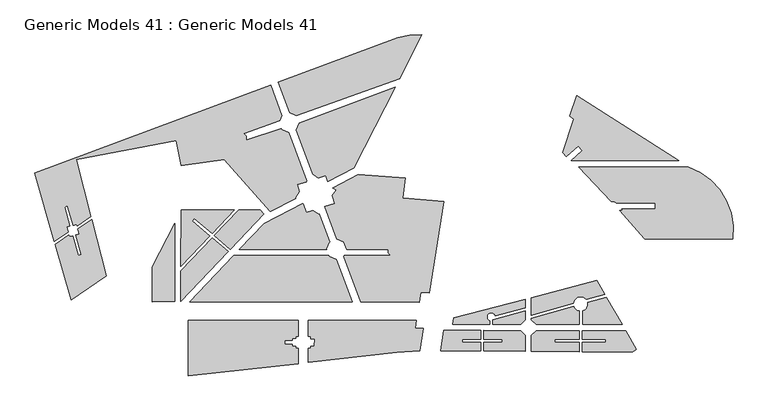
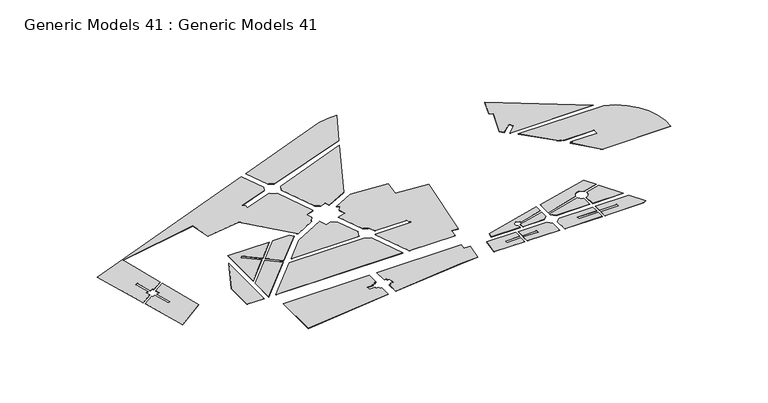
"""IFC4 building model written with IfcOpenShell, lengths in millimetres: proxy geometry, Generic Models 41 : Generic Models 41."""

from ifc_helpers import new_model, si_unit, point, frame_2d, origin, origin_with_axes, place, context, project, spatial, polyline, circle_curve, trimmed, segment, composite_curve, outline, extrude, source, transform, mapped, element, save


def generic_models_41_generic_models_41_242c1088(model_context):
    return source(origin(), model_context, "Body", "SweptSolid", [
        extrude(outline(polyline([(-361993.7133006, -87284.9910027), (-361993.7133006, -97334.3157641), (-363580.559161, -97323.5477954), (-363590.3668688, -98768.8775903), (-365914.4069442, -98753.107137), (-365921.5727652, -99809.1107182), (-370862.0547176, -99809.1107182), (-370862.0547176, -102462.9058555), (-365939.5808678, -102462.9058555), (-365947.1478069, -103578.0208854), (-363623.1077315, -103593.7913387), (-363632.9154393, -105039.1211336), (-362046.069579, -105049.88914), (-362046.069579, -114773.7152057), (-432427.5534149, -122747.9947171), (-432427.5534149, -87284.9910027), (-361993.7133006, -87284.9910027)])), origin_with_axes(), (0.0, 0.0, 1.0), 100.0),
        extrude(outline(composite_curve([segment(polyline([(-286696.3004557, -87285.0335671), (-287488.6483003, -92214.8094537), (-282075.4731565, -92278.3698037), (-284395.735973, -106714.3113704)]), True, "CONTINUOUS"), segment(trimmed(circle_curve(frame_2d((-273390.2047867, -382494.8006785)), 275999.9999995), [point((-284395.735973, -106714.3113704))], [point((-299057.7748002, -107690.9145173))], True, "CARTESIAN"), True, "CONTINUOUS"), segment(polyline([(-299057.7748002, -107690.9145173), (-355621.0910659, -114045.7599009), (-355621.0910659, -105093.4877099), (-354034.2452056, -105104.2557164), (-354024.4374977, -103658.9259215), (-351700.3974224, -103674.6963748), (-351667.6565597, -98849.7826264), (-353991.6966351, -98834.0121731), (-353981.8889272, -97388.6823782), (-355568.7347876, -97377.9143718), (-355568.7347876, -87285.0335671), (-286696.3004557, -87285.0335671)]), True, "CONTINUOUS")], self_intersect=False)), origin_with_axes(), (0.0, 0.0, 1.0), 100.0),
        extrude(outline(polyline([(-403409.6548062, -45673.2146642), (-342471.3923765, -45673.2146642), (-342272.7127732, -46178.6207983), (-337810.2638616, -48102.5265197), (-327586.3348763, -75424.7704588), (-431553.4651251, -75176.7966678), (-403409.6548062, -45673.2146642)])), origin_with_axes(), (0.0, 0.0, 1.0), 100.0),
        extrude(outline(polyline([(-303321.9254384, -45673.2146642), (-303321.9254384, -45376.1533315), (-304586.168364, -44121.5388453), (-304586.168364, -41726.8486921), (-331205.6612374, -41726.8486921), (-333115.0140359, -36989.9301685), (-337323.1402525, -35137.5398857), (-345123.140968, -14292.9582595), (-338860.059873, -12268.6783026), (-340436.0540532, -7392.5843006), (-337938.6949411, -3765.7659729), (-340010.1065628, -2339.4307608), (-323743.9426698, 6107.5599958), (-293738.9788603, 3983.6135656), (-295350.4188034, -8962.5514236), (-269032.5259312, -10984.4092167), (-278519.8318479, -69469.1233099), (-283890.3068298, -69177.7120748), (-284801.5203135, -75496.3488024), (-322251.4695522, -75414.8015954), (-333136.4863604, -46325.8784484), (-332849.1879312, -45673.2146642), (-303321.9254384, -45673.2146642)])), origin_with_axes(), (0.0, 0.0, 1.0), 100.0),
        extrude(outline(polyline([(-383730.6821286, -25043.4499819), (-359202.988994, -12306.2613889), (-358831.6800963, -12561.9377353), (-357028.5207557, -18140.8761322), (-352741.743384, -16755.3539935), (-348767.4633511, -19491.9687224), (-348604.7183631, -19255.6204524), (-342003.1253878, -36897.5987875), (-342208.9408352, -36974.6145159), (-344153.9369125, -41393.1158759), (-343954.4007088, -41900.7010515), (-399811.010156, -41900.7010515), (-383730.6821286, -25043.4499819)])), origin_with_axes(), (0.0, 0.0, 1.0), 100.0),
        extrude(outline(polyline([(-437011.3261521, -52574.99825), (-436933.1805067, -16455.4403815), (-402857.1868982, -16455.4403815), (-417153.8754041, -31574.8396431), (-428451.8652911, -21905.7265645), (-429760.1903594, -23434.454512), (-418529.9394912, -33030.0900903), (-437011.3261521, -52574.99825)])), origin_with_axes(), (0.0, 0.0, 1.0), 100.0),
        extrude(outline(polyline([(-400104.6372347, -16455.4403815), (-386407.1724534, -16455.4403815), (-384061.5759416, -19105.9189042), (-405451.6048239, -41726.8486921), (-415700.6772828, -32948.9630801), (-400104.6372347, -16455.4403815)])), origin_with_axes(), (0.0, 0.0, 1.0), 100.0),
        extrude(outline(polyline([(-406824.0403165, -43178.2617353), (-437060.1772014, -75154.3536467), (-437017.3950253, -55380.0811935), (-417110.5768427, -34439.996081), (-406824.0403165, -43178.2617353)])), origin_with_axes(), (0.0, 0.0, 1.0), 100.0),
        extrude(outline(polyline([(-439867.5169473, 27822.4056227), (-504010.1283319, 15823.5974375), (-494615.2383752, -20690.759759), (-503322.5287332, -26641.1861743), (-503558.5081804, -25724.0239865), (-505971.2317922, -26344.8009786), (-509587.3167813, -13689.0396095), (-511327.5543708, -14878.2908341), (-507908.8267494, -26843.3306749), (-509955.9986048, -27370.0537444), (-509123.5391969, -30605.5062416), (-517854.8684335, -36572.3604515), (-530321.4307079, 7061.4523673), (-379562.4159797, 63475.1738724), (-372466.9455231, 43974.0634688), (-374000.0914312, 40491.173524), (-396937.5943597, 32328.1366075), (-395172.2398452, 30606.1282373), (-395172.2398452, 28310.117077), (-372853.4467453, 35591.0239953), (-372530.717461, 34770.0571864), (-368086.4320432, 32853.9823332), (-356551.3357926, 2075.0623152), (-356967.4210248, 1470.7977788), (-362761.8681208, -402.0157677), (-361322.8246754, -4854.3869763), (-364121.8137519, -8919.2508689), (-363813.6134301, -9131.4718329), (-380012.8630781, -17645.1838918), (-409405.0272184, 15567.3909903), (-436951.315698, 11772.4807049), (-439867.5169473, 27822.4056227)])), origin_with_axes(), (0.0, 0.0, 1.0), 100.0),
        extrude(outline(composite_curve([segment(trimmed(circle_curve(frame_2d((-285091.1180193, 42261.8268842)), 53255.6782164), [point((-298559.6442412, 93786.2488965))], [point((-283094.6489097, 95480.0697469))], False, "CARTESIAN"), True, "CONTINUOUS"), segment(polyline([(-283094.6489097, 95480.0697469), (-297380.8496812, 67444.1513394), (-363373.0187237, 43958.7478162), (-367620.4473838, 45828.4387836), (-374879.5365061, 65227.4979967), (-298559.6442412, 93786.2488965)]), True, "CONTINUOUS")], self_intersect=False)), origin_with_axes(), (0.0, 0.0, 1.0), 100.0),
        extrude(outline(polyline([(-361418.9073538, 39110.7876318), (-300084.1247119, 62150.9214003), (-326561.352352, 10278.4672785), (-343321.668901, 1535.4494622), (-344593.4072381, 5470.1820618), (-349192.8199892, 3983.6135656), (-352923.4541086, 6552.4582857), (-363432.6437054, 34637.0275526), (-361418.9073538, 39110.7876318)])), origin_with_axes(), (0.0, 0.0, 1.0), 100.0),
        extrude(outline(polyline([(-440961.0407768, -25103.202977), (-441063.4983475, -75156.088585), (-455282.5128218, -75209.4432927), (-455365.8189064, -53008.395328), (-440961.0407768, -25103.202977)])), origin_with_axes(), (0.0, 0.0, 1.0), 100.0),
        extrude(outline(polyline([(-507093.4646937, -74175.8686037), (-517304.6475718, -38498.0518958), (-508609.9943118, -32601.4595158), (-508362.6694549, -33562.7169876), (-506151.4774544, -32993.7926763), (-502523.4733828, -45691.2690672), (-500636.4720035, -45015.6693487), (-504213.8824972, -32495.26298), (-501965.1790306, -31916.6872297), (-502802.3776933, -28662.8150552), (-494085.1715267, -22750.927609), (-484863.3922893, -58592.4694058), (-507093.4646937, -74175.8686037)])), origin_with_axes(), (0.0, 0.0, 1.0), 100.0),
        extrude(outline(polyline([(-245593.0749647, -106678.411059), (-271192.2646648, -106503.3774655), (-269099.2000184, -93501.7611645), (-245593.0749647, -93610.7941127), (-245593.0749647, -99146.9218313), (-257346.1374916, -99146.9218313), (-257346.1374916, -101146.9218313), (-245593.0749647, -101146.9218313), (-245593.0749647, -106678.411059)])), origin_with_axes(), (0.0, 0.0, 1.0), 100.0),
        extrude(outline(polyline([(-220086.9749311, -93729.1039268), (-217086.9749311, -96706.256009), (-217086.9749311, -106873.3205537), (-243562.2704472, -106692.2966162), (-243575.3170557, -101153.8646099), (-231590.0249479, -101153.8646099), (-231590.0249479, -99153.8646099), (-243577.6727059, -99153.8646099), (-243593.0749647, -93620.0710946), (-220086.9749311, -93729.1039268)])), origin_with_axes(), (0.0, 0.0, 1.0), 100.0),
        extrude(outline(polyline([(-180511.3040249, -93760.9670083), (-152864.3332567, -93760.9670083), (-145987.3366375, -105660.4499278), (-148401.6065142, -107342.9544367), (-180485.7975675, -107123.5798658), (-180496.9094085, -101302.1822843), (-165511.6173007, -101302.1822843), (-165511.6173007, -99302.1822843), (-180500.7269938, -99302.1822843), (-180511.3040249, -93760.9670083)])), origin_with_axes(), (0.0, 0.0, 1.0), 100.0),
        extrude(outline(polyline([(-213165.0297819, -96676.3865822), (-210165.0297819, -93760.9670083), (-182514.6673175, -93760.9670083), (-182514.6673175, -99295.2395057), (-198267.7298443, -99295.2395057), (-198267.7298443, -101295.2395057), (-182514.6673175, -101295.2395057), (-182514.6673175, -107109.7075375), (-213087.1619262, -106900.6691398), (-213165.0297819, -96676.3865822)])), origin_with_axes(), (0.0, 0.0, 1.0), 100.0),
        extrude(outline(composite_curve([segment(polyline([(-262695.8988601, -85666.1021324), (-217086.9749311, -73609.5847908), (-217086.9749311, -79139.3897116), (-236190.3864558, -84189.292066)]), True, "CONTINUOUS"), segment(trimmed(circle_curve(frame_2d((-238752.3428527, -84954.572029)), 2673.8126339), [point((-236190.3864558, -84189.292066))], [point((-239752.3428527, -87434.3450027))], True, "CARTESIAN"), True, "CONTINUOUS"), segment(polyline([(-239752.3428527, -87434.3450027), (-239752.3428527, -89760.9670083), (-263378.6527856, -89760.9670083), (-262695.8988601, -85666.1021324)]), True, "CONTINUOUS")], self_intersect=False)), origin_with_axes(), (0.0, 0.0, 1.0), 100.0),
        extrude(outline(polyline([(-237752.3428527, -89760.9670083), (-237752.3428527, -86670.8870384), (-217086.9749311, -81208.088418), (-217086.9749311, -86760.9670083), (-220086.9749311, -89760.9670083), (-237752.3428527, -89760.9670083)])), origin_with_axes(), (0.0, 0.0, 1.0), 100.0),
        extrude(outline(composite_curve([segment(polyline([(-171481.7391605, -61546.685713), (-166269.6354263, -70565.3522609), (-177987.005941, -73874.9685591)]), True, "CONTINUOUS"), segment(trimmed(circle_curve(frame_2d((-181692.4791861, -76675.7540347)), 4644.8822645), [point((-177987.005941, -73874.9685591))], [point((-186315.6750081, -76227.4331204))], True, "CARTESIAN"), True, "CONTINUOUS"), segment(polyline([(-186315.6750081, -76227.4331204), (-213262.8008529, -83838.7522961), (-213348.2329297, -72621.2648767), (-171481.7391605, -61546.685713)]), True, "CONTINUOUS")], self_intersect=False)), origin_with_axes(), (0.0, 0.0, 1.0), 100.0),
        extrude(outline(composite_curve([segment(polyline([(-165199.5705755, -72416.9190305), (-155176.0292071, -89760.9670083), (-180403.6949021, -89760.9670083), (-180403.6949021, -81138.2607653)]), True, "CONTINUOUS"), segment(trimmed(circle_curve(frame_2d((-181692.4791861, -76675.7540347)), 4644.8822645), [point((-180403.6949021, -81138.2607653))], [point((-177150.0953402, -75705.3519288))], True, "CARTESIAN"), True, "CONTINUOUS"), segment(polyline([(-177150.0953402, -75705.3519288), (-165199.5705755, -72416.9190305)]), True, "CONTINUOUS")], self_intersect=False)), origin_with_axes(), (0.0, 0.0, 1.0), 100.0),
        extrude(outline(composite_curve([segment(polyline([(-213247.3639948, -85865.6579736), (-186074.1306094, -78217.2020734)]), True, "CONTINUOUS"), segment(trimmed(circle_curve(frame_2d((-181692.4791861, -76675.7540347)), 4644.8822645), [point((-186074.1306094, -78217.2020734))], [point((-182670.5294945, -81216.4972388))], True, "CARTESIAN"), True, "CONTINUOUS"), segment(polyline([(-182670.5294945, -81216.4972388), (-182670.5294945, -89760.9670083), (-210165.0297819, -89760.9670083), (-213240.5453457, -86760.9670083), (-213247.3639948, -85865.6579736)]), True, "CONTINUOUS")], self_intersect=False)), origin_with_axes(), (0.0, 0.0, 1.0), 100.0),
        extrude(outline(composite_curve([segment(trimmed(circle_curve(frame_2d((-126770.6239722, -29225.7497607)), 42580.2040694), [point((-112870.2975992, 11021.6688561))], [point((-84580.2661726, -34974.4441626))], False, "CARTESIAN"), True, "CONTINUOUS"), segment(polyline([(-84580.2661726, -34974.4441626), (-140619.951654, -34974.4441626), (-156668.3116462, -16976.3876532), (-154608.2856457, -16976.3876532), (-155557.7632851, -15978.7205277), (-134018.7638563, -15978.7205277), (-134018.7638563, -12030.0216812), (-159075.6274104, -12030.0216812), (-160078.3686293, -10976.3876532), (-162078.3686293, -10976.3876532), (-183013.8712941, 11021.6688561), (-112870.2975992, 11021.6688561)]), True, "CONTINUOUS")], self_intersect=False)), origin_with_axes(), (0.0, 0.0, 1.0), 100.0),
        extrude(outline(polyline([(-119114.8307679, 15021.6688561), (-187732.8282204, 15021.6688561), (-180625.7204865, 21436.9549577), (-183271.5620013, 24368.122858), (-190707.9012852, 17655.6533357), (-193210.0742399, 20284.8207808), (-185940.6353906, 41650.9633874), (-188587.4297593, 43374.3328654), (-184023.5191949, 56599.5973732), (-119114.8307679, 15021.6688561)])), origin_with_axes(), (0.0, 0.0, 1.0), 100.0),
    ])


if __name__ == "__main__":
    model = new_model("IFC4")
    model_context = context("Model", 3, world=origin())
    ifc_project = project(units=[si_unit("LENGTHUNIT", "METRE", prefix="MILLI")], contexts=[model_context])
    site = spatial("IfcSite", under=ifc_project)
    building = spatial("IfcBuilding", under=site)
    placement = place(None, origin())
    generic_models_41_generic_models_41_shape = generic_models_41_generic_models_41_242c1088(model_context)
    element("IfcBuildingElementProxy", 1, Name="Generic Models 41 : Generic Models 41", ObjectType="Generic Models 41 : Generic Models 41", at=placement, inside=building, context=model_context, shape_type="MappedRepresentation", body=[
        mapped(generic_models_41_generic_models_41_shape, transform((0.0, 0.0, 0.0), x_axis=(1.0, 0.0, 0.0), y_axis=(0.0, 1.0, 0.0), z_axis=(0.0, 0.0, 1.0))),
    ])
    save(model, "model.ifc")
